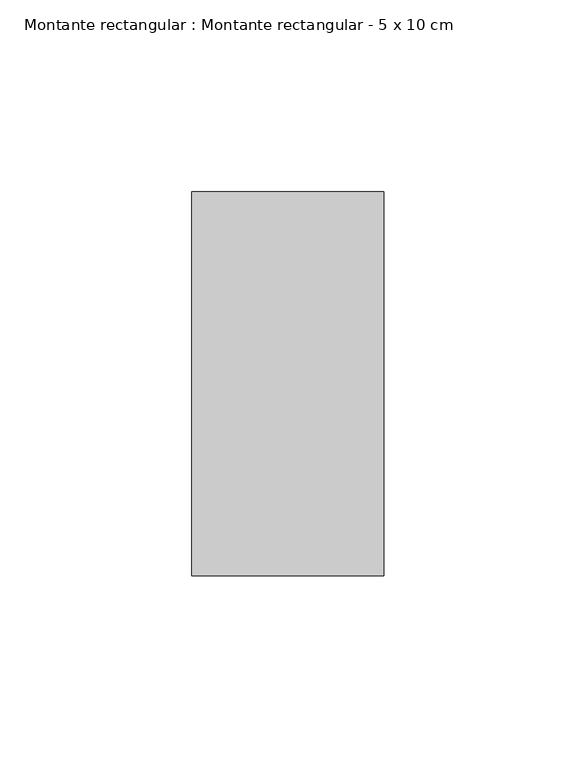
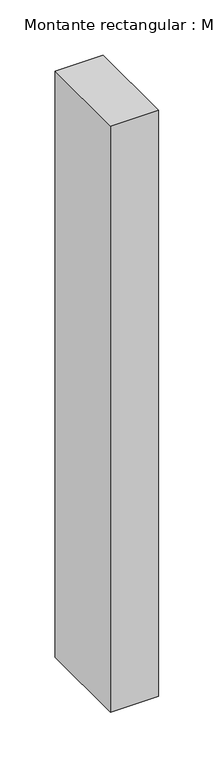
"""IFC4 building model written with IfcOpenShell, lengths in millimetres: member geometry, Montante rectangular : Montante rectangular - 5 x 10 cm."""

from ifc_helpers import new_model, si_unit, frame, origin, place, context, project, spatial, polyline, outline, extrude, source, transform, mapped, element, save


def montante_rectangular_montante_rectangular_5_x_10_cm_83764b15(model_context):
    return source(origin(), model_context, "Body", "SweptSolid", [
        extrude(outline(polyline([(0.0, 50.0), (0.0, -50.0), (-50.0, -50.0), (-50.0, 50.0), (0.0, 50.0)])), frame((0.0, 0.0, -646.0), z_axis=(0.0, 0.0, 1.0), x_axis=(1.0, 0.0, 0.0)), (0.0, 0.0, 1.0), 646.0),
    ])


if __name__ == "__main__":
    model = new_model("IFC4")
    model_context = context("Model", 3, world=origin())
    ifc_project = project(units=[si_unit("LENGTHUNIT", "METRE", prefix="MILLI")], contexts=[model_context])
    site = spatial("IfcSite", under=ifc_project)
    building = spatial("IfcBuilding", under=site)
    placement = place(None, origin())
    montante_rectangular_montante_rectangular_5_x_10_cm_shape = montante_rectangular_montante_rectangular_5_x_10_cm_83764b15(model_context)
    element("IfcMember", 1, ObjectType="Montante rectangular : Montante rectangular - 5 x 10 cm", at=placement, inside=building, context=model_context, shape_type="MappedRepresentation", body=[
        mapped(montante_rectangular_montante_rectangular_5_x_10_cm_shape, transform((0.0, 0.0, 0.0), x_axis=(1.0, 0.0, 0.0), y_axis=(0.0, 1.0, 0.0), z_axis=(0.0, 0.0, 1.0))),
    ])
    save(model, "model.ifc")
